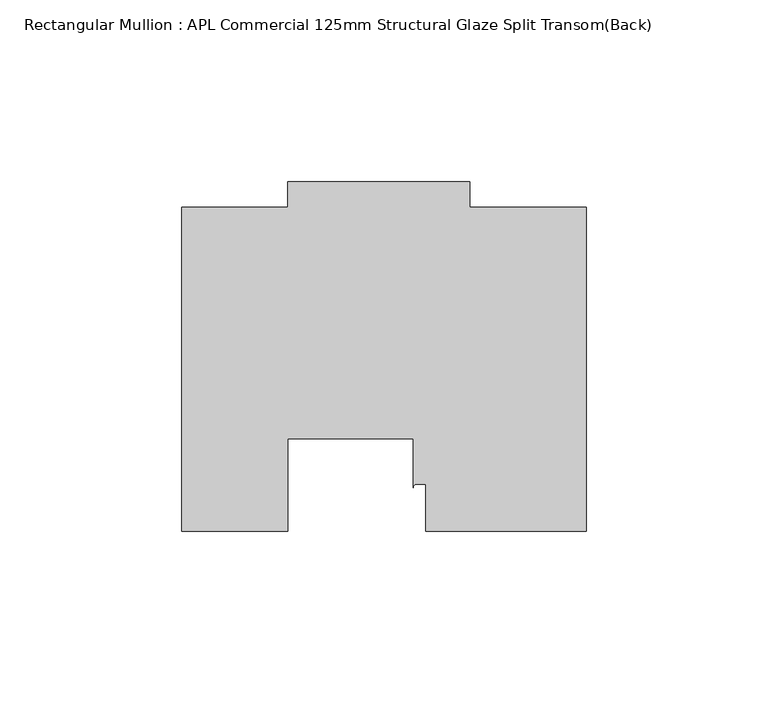
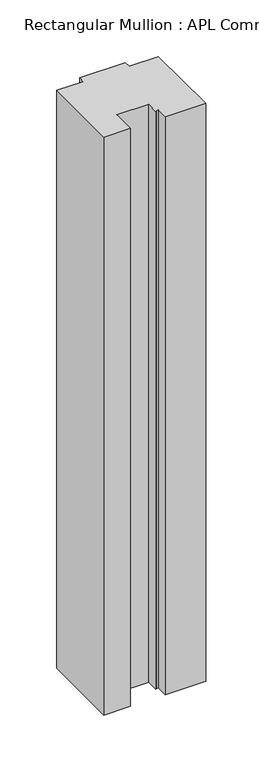
"""IFC4 building model written with IfcOpenShell, lengths in millimetres: member geometry, Rectangular Mullion : APL Commercial 125mm Structural Glaze Split Transom(Back)."""

from ifc_helpers import new_model, si_unit, point, frame, frame_2d, origin, place, context, project, spatial, polyline, circle_curve, trimmed, segment, composite_curve, outline, extrude, source, transform, mapped, element, save


def rectangular_mullion_apl_commercial_125mm_structural_glaze_d9dd5f19(model_context):
    return source(origin(), model_context, "Body", "SweptSolid", [
        extrude(outline(composite_curve([segment(polyline([(54.0000029, 15.0004617), (10.0000029, 15.0004617), (10.0000029, 28.0002131), (7.5000029, 28.0002131)]), True, "CONTINUOUS"), segment(trimmed(circle_curve(frame_2d((7.5000029, 27.0002131)), 1.0), [point((7.5000029, 28.0002131))], [point((6.5000029, 27.0002131))], True, "CARTESIAN"), True, "CONTINUOUS"), segment(polyline([(6.5000029, 27.0002131), (6.5000029, 40.499932), (-28.0000482, 40.499932), (-28.0000482, 15.0001793), (-57.0000004, 15.0001793), (-57.0000004, 103.9999439), (-27.9971154, 103.9999439), (-27.9971154, 111.0), (22.0028846, 111.0), (22.0028846, 104.0), (54.0000029, 104.0), (54.0000029, 15.0004617)]), True, "CONTINUOUS")], self_intersect=False)), frame((0.0, 0.0, -666.0250258), z_axis=(0.0, 0.0, 1.0), x_axis=(1.0, 0.0, 0.0)), (0.0, 0.0, 1.0), 666.0250258),
    ])


if __name__ == "__main__":
    model = new_model("IFC4")
    model_context = context("Model", 3, world=origin())
    ifc_project = project(units=[si_unit("LENGTHUNIT", "METRE", prefix="MILLI")], contexts=[model_context])
    site = spatial("IfcSite", under=ifc_project)
    building = spatial("IfcBuilding", under=site)
    placement = place(None, origin())
    rectangular_mullion_apl_commercial_125mm_structural_glaze_shape = rectangular_mullion_apl_commercial_125mm_structural_glaze_d9dd5f19(model_context)
    element("IfcMember", 1, ObjectType="Rectangular Mullion : APL Commercial 125mm Structural Glaze Split Transom(Back)", at=placement, inside=building, context=model_context, shape_type="MappedRepresentation", body=[
        mapped(rectangular_mullion_apl_commercial_125mm_structural_glaze_shape, transform((0.0, 0.0, 0.0), x_axis=(1.0, 0.0, 0.0), y_axis=(0.0, 1.0, 0.0), z_axis=(0.0, 0.0, 1.0))),
    ])
    save(model, "model.ifc")
